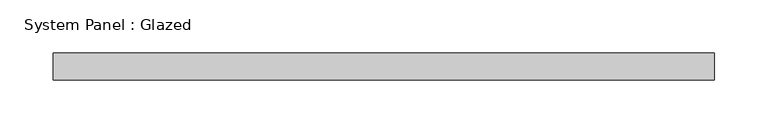
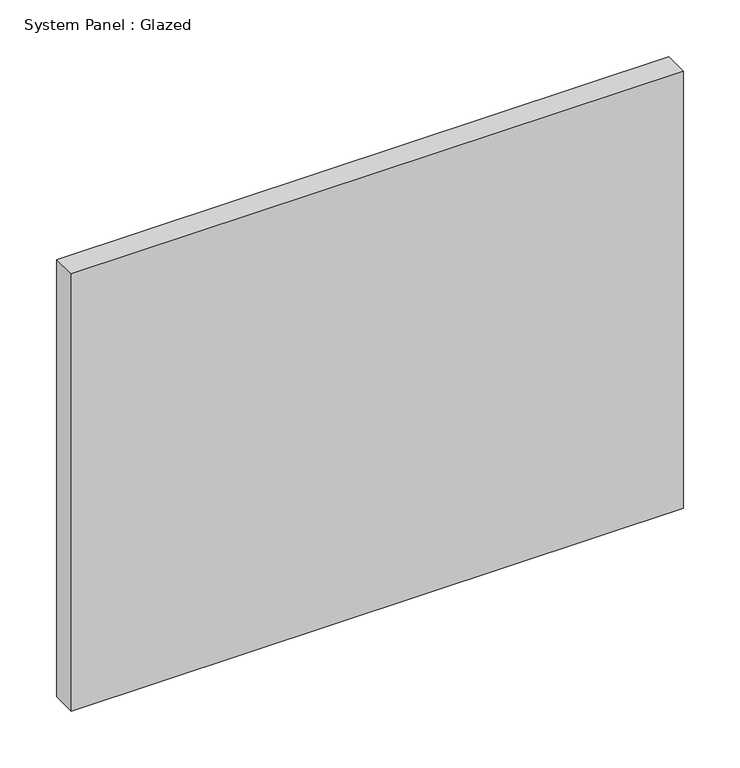
"""IFC4 building model written with IfcOpenShell, lengths in millimetres: plate geometry, System Panel : Glazed."""

from ifc_helpers import new_model, si_unit, origin, origin_with_axes, place, context, project, spatial, polyline, outline, extrude, source, transform, mapped, element, save


def system_panel_glazed_60827cb3(model_context):
    return source(origin(), model_context, "Body", "SweptSolid", [
        extrude(outline(polyline([(311.15, -12.7), (-311.15, -12.7), (-311.15, 12.7), (311.15, 12.7), (311.15, -12.7)])), origin_with_axes(), (0.0, 0.0, 1.0), 469.9),
    ])


if __name__ == "__main__":
    model = new_model("IFC4")
    model_context = context("Model", 3, world=origin())
    ifc_project = project(units=[si_unit("LENGTHUNIT", "METRE", prefix="MILLI")], contexts=[model_context])
    site = spatial("IfcSite", under=ifc_project)
    building = spatial("IfcBuilding", under=site)
    placement = place(None, origin())
    system_panel_glazed_shape = system_panel_glazed_60827cb3(model_context)
    element("IfcPlate", 1, ObjectType="System Panel : Glazed", at=placement, inside=building, context=model_context, shape_type="MappedRepresentation", body=[
        mapped(system_panel_glazed_shape, transform((0.0, 0.0, 0.0), x_axis=(1.0, 0.0, 0.0), y_axis=(0.0, 1.0, 0.0), z_axis=(0.0, 0.0, 1.0))),
    ])
    save(model, "model.ifc")
